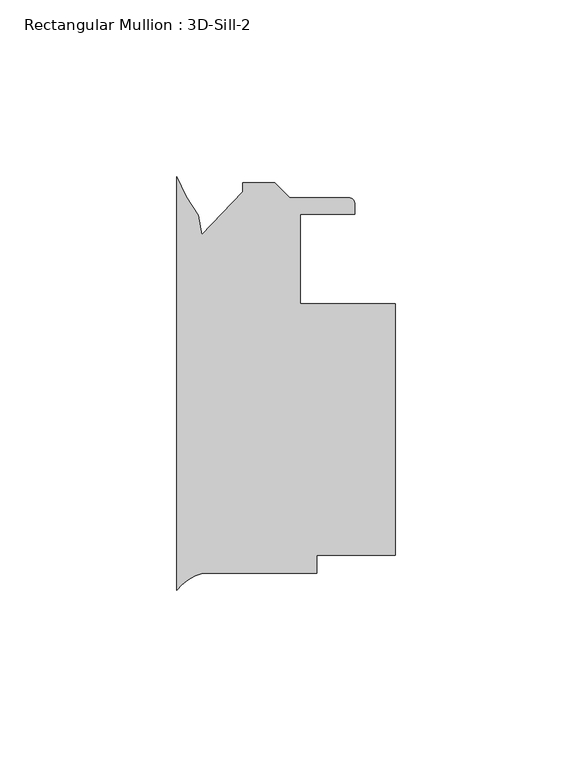
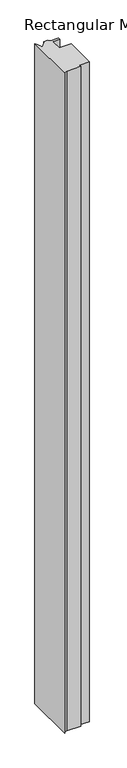
"""IFC4 building model written with IfcOpenShell, lengths in millimetres: member geometry, Rectangular Mullion : 3D-Sill-2."""

from ifc_helpers import new_model, si_unit, point, frame, frame_2d, origin, place, context, project, spatial, polyline, circle_curve, trimmed, segment, composite_curve, outline, extrude, source, transform, mapped, element, save


def rectangular_mullion_3d_sill_2_5d107fea(model_context):
    return source(origin(), model_context, "Body", "SweptSolid", [
        extrude(outline(composite_curve([segment(polyline([(0.0, -66.811996), (0.0, 50.4282089)]), True, "CONTINUOUS"), segment(trimmed(circle_curve(frame_2d((51.7405483, 72.1507184)), 56.1155216), [point((0.0, 50.4282089))], [point((6.1777626, 39.3942791))], True, "CARTESIAN"), True, "CONTINUOUS"), segment(polyline([(6.1777626, 39.3942791), (7.1364142, 33.9574955), (18.7609677, 46.1632766), (18.7609677, 48.7032765), (27.8612599, 48.7032765), (32.1284599, 44.4360765), (48.7329677, 44.4360765)]), True, "CONTINUOUS"), segment(trimmed(circle_curve(frame_2d((48.7329677, 42.6580765)), 1.778), [point((48.7329677, 44.4360765))], [point((50.5109677, 42.6580765))], False, "CARTESIAN"), True, "CONTINUOUS"), segment(polyline([(50.5109677, 42.6580765), (50.5109677, 39.7370763), (35.0098187, 39.7370763), (35.0098187, 14.3370763), (61.9973181, 14.3370763), (61.9973181, -56.7829235), (39.7723181, -56.7829235), (39.7723181, -61.8629235), (7.3773307, -61.8629235)]), True, "CONTINUOUS"), segment(trimmed(circle_curve(frame_2d((10.9044998, -75.0937372)), 13.6928942), [point((7.3773307, -61.8629235))], [point((0.0, -66.811996))], True, "CARTESIAN"), True, "CONTINUOUS")], self_intersect=False)), frame((0.0, 0.0, -1590.6750002), z_axis=(0.0, 0.0, 1.0), x_axis=(1.0, 0.0, 0.0)), (0.0, 0.0, 1.0), 1590.6750002),
    ])


if __name__ == "__main__":
    model = new_model("IFC4")
    model_context = context("Model", 3, world=origin())
    ifc_project = project(units=[si_unit("LENGTHUNIT", "METRE", prefix="MILLI")], contexts=[model_context])
    site = spatial("IfcSite", under=ifc_project)
    building = spatial("IfcBuilding", under=site)
    placement = place(None, origin())
    rectangular_mullion_3d_sill_2_shape = rectangular_mullion_3d_sill_2_5d107fea(model_context)
    element("IfcMember", 1, ObjectType="Rectangular Mullion : 3D-Sill-2", at=placement, inside=building, context=model_context, shape_type="MappedRepresentation", body=[
        mapped(rectangular_mullion_3d_sill_2_shape, transform((0.0, 0.0, 0.0), x_axis=(1.0, 0.0, 0.0), y_axis=(0.0, 1.0, 0.0), z_axis=(0.0, 0.0, 1.0))),
    ])
    save(model, "model.ifc")
